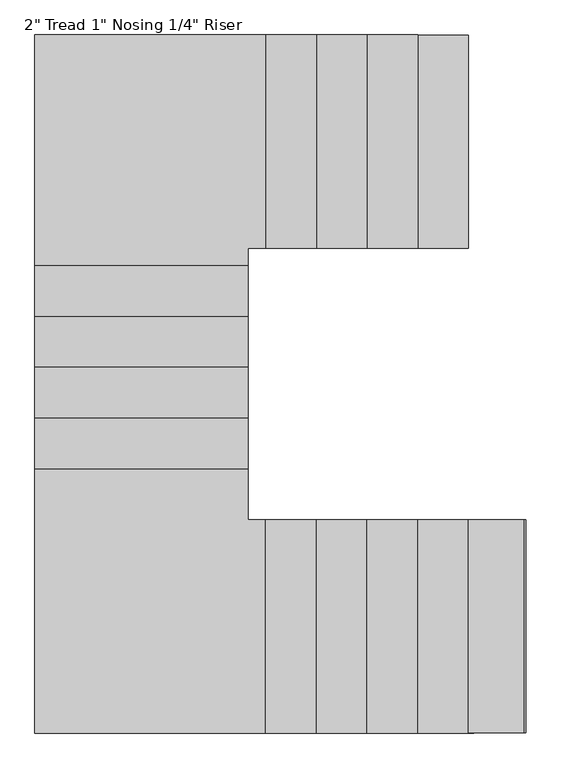
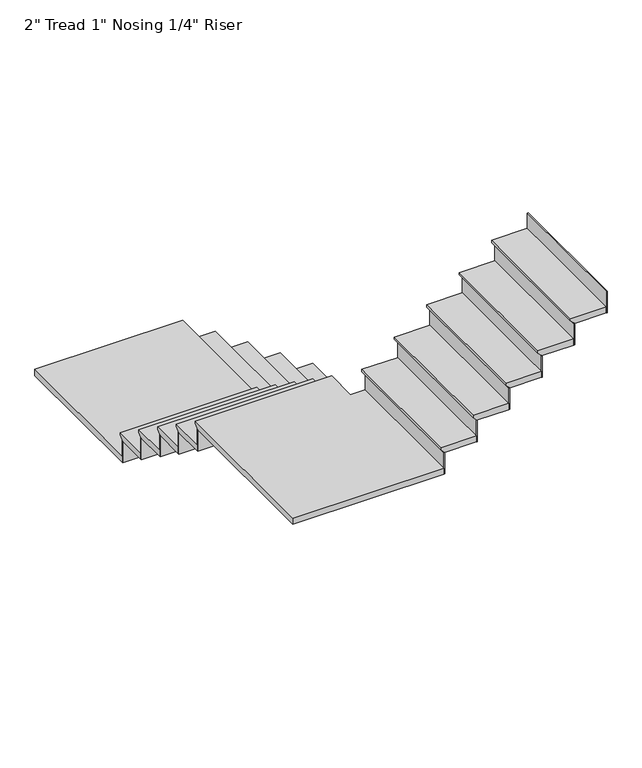
"""IFC4 building model written with IfcOpenShell, lengths in millimetres: stair flight geometry."""

from ifc_helpers import new_model, si_unit, origin, place, context, project, spatial, faceted_brep, source, transform, mapped, element, save


def stair_flight_17baa690(model_context):
    return source(origin(), model_context, "Body", "Brep", [
        faceted_brep([(3094.4995947, 6181.1637279, 158.75), (3094.4995947, 6181.1637279, 177.8), (3094.4995947, 5114.3637279, 177.8), (3094.4995947, 5114.3637279, 158.75), (3069.0995947, 6181.1637279, 133.35), (3069.0995947, 5114.3637279, 133.35), (2815.0995947, 6181.1637279, 177.8), (2815.0995947, 5114.3637279, 177.8), (3069.0995947, 5114.3637279, 127.0), (2815.0995947, 5114.3637279, 127.0), (2815.0995947, 6181.1637279, 127.0), (3069.0995947, 6181.1637279, 127.0)], [[[0, 1, 2, 3]], [[4, 0, 3, 5]], [[2, 1, 6, 7]], [[8, 9, 10, 11]], [[2, 7, 9, 8, 5, 3]], [[8, 11, 4, 5]], [[6, 1, 0, 4, 11, 10]], [[7, 6, 10, 9]]]),
        faceted_brep([(3069.0995947, 6181.1637279, 127.0), (3069.0995947, 6181.1637279, 0.0), (3062.7495947, 6181.1637279, 0.0), (3062.7495947, 6181.1637279, 127.0), (3069.0995947, 5114.3637279, 127.0), (3062.7495947, 5114.3637279, 127.0), (3062.7495947, 5114.3637279, 0.0), (3069.0995947, 5114.3637279, 0.0)], [[[0, 1, 2, 3]], [[4, 5, 6, 7]], [[1, 0, 4, 7]], [[2, 1, 7, 6]], [[3, 2, 6, 5]], [[0, 3, 5, 4]]]),
        faceted_brep([(2815.0995947, 6181.1637279, 304.8), (2815.0995947, 6181.1637279, 127.0), (2808.7495947, 6181.1637279, 127.0), (2808.7495947, 6181.1637279, 304.8), (2815.0995947, 5114.3637279, 304.8), (2808.7495947, 5114.3637279, 304.8), (2808.7495947, 5114.3637279, 127.0), (2815.0995947, 5114.3637279, 127.0)], [[[0, 1, 2, 3]], [[4, 5, 6, 7]], [[1, 0, 4, 7]], [[2, 1, 7, 6]], [[3, 2, 6, 5]], [[0, 3, 5, 4]]]),
        faceted_brep([(2840.4995947, 5114.3637279, 355.6), (2840.4995947, 6181.1637279, 355.6), (2561.0995947, 6181.1637279, 355.6), (2561.0995947, 5114.3637279, 355.6), (2815.0995947, 5114.3637279, 304.8), (2561.0995947, 5114.3637279, 304.8), (2561.0995947, 6181.1637279, 304.8), (2815.0995947, 6181.1637279, 304.8), (2815.0995947, 5114.3637279, 311.15), (2840.4995947, 5114.3637279, 336.55), (2815.0995947, 6181.1637279, 311.15), (2840.4995947, 6181.1637279, 336.55)], [[[0, 1, 2, 3]], [[4, 5, 6, 7]], [[0, 3, 5, 4, 8, 9]], [[4, 7, 10, 8]], [[2, 1, 11, 10, 7, 6]], [[3, 2, 6, 5]], [[11, 1, 0, 9]], [[10, 11, 9, 8]]]),
        faceted_brep([(2561.0995947, 6181.1637279, 482.6), (2561.0995947, 6181.1637279, 304.8), (2554.7495947, 6181.1637279, 304.8), (2554.7495947, 6181.1637279, 482.6), (2561.0995947, 5114.3637279, 482.6), (2554.7495947, 5114.3637279, 482.6), (2554.7495947, 5114.3637279, 304.8), (2561.0995947, 5114.3637279, 304.8)], [[[0, 1, 2, 3]], [[4, 5, 6, 7]], [[1, 0, 4, 7]], [[2, 1, 7, 6]], [[3, 2, 6, 5]], [[0, 3, 5, 4]]]),
        faceted_brep([(2586.4995947, 5114.3637279, 533.4), (2586.4995947, 6181.1637279, 533.4), (2307.0995947, 6181.1637279, 533.4), (2307.0995947, 5114.3637279, 533.4), (2561.0995947, 5114.3637279, 482.6), (2307.0995947, 5114.3637279, 482.6), (2307.0995947, 6181.1637279, 482.6), (2561.0995947, 6181.1637279, 482.6), (2561.0995947, 5114.3637279, 488.95), (2586.4995947, 5114.3637279, 514.35), (2561.0995947, 6181.1637279, 488.95), (2586.4995947, 6181.1637279, 514.35)], [[[0, 1, 2, 3]], [[4, 5, 6, 7]], [[0, 3, 5, 4, 8, 9]], [[4, 7, 10, 8]], [[2, 1, 11, 10, 7, 6]], [[3, 2, 6, 5]], [[11, 1, 0, 9]], [[10, 11, 9, 8]]]),
        faceted_brep([(2307.0995947, 6181.1637279, 660.4), (2307.0995947, 6181.1637279, 482.6), (2300.7495947, 6181.1637279, 482.6), (2300.7495947, 6181.1637279, 660.4), (2307.0995947, 5114.3637279, 660.4), (2300.7495947, 5114.3637279, 660.4), (2300.7495947, 5114.3637279, 482.6), (2307.0995947, 5114.3637279, 482.6)], [[[0, 1, 2, 3]], [[4, 5, 6, 7]], [[1, 0, 4, 7]], [[2, 1, 7, 6]], [[3, 2, 6, 5]], [[0, 3, 5, 4]]]),
        faceted_brep([(2332.4995947, 5114.3637279, 711.2), (2332.4995947, 6181.1637279, 711.2), (2053.0995947, 6181.1637279, 711.2), (2053.0995947, 5114.3637279, 711.2), (2307.0995947, 5114.3637279, 660.4), (2053.0995947, 5114.3637279, 660.4), (2053.0995947, 6181.1637279, 660.4), (2307.0995947, 6181.1637279, 660.4), (2307.0995947, 5114.3637279, 666.75), (2332.4995947, 5114.3637279, 692.15), (2307.0995947, 6181.1637279, 666.75), (2332.4995947, 6181.1637279, 692.15)], [[[0, 1, 2, 3]], [[4, 5, 6, 7]], [[0, 3, 5, 4, 8, 9]], [[4, 7, 10, 8]], [[2, 1, 11, 10, 7, 6]], [[3, 2, 6, 5]], [[11, 1, 0, 9]], [[10, 11, 9, 8]]]),
        faceted_brep([(2053.0995947, 6181.1637279, 838.2), (2053.0995947, 6181.1637279, 660.4), (2046.7495947, 6181.1637279, 660.4), (2046.7495947, 6181.1637279, 838.2), (2053.0995947, 5114.3637279, 838.2), (2046.7495947, 5114.3637279, 838.2), (2046.7495947, 5114.3637279, 660.4), (2053.0995947, 5114.3637279, 660.4)], [[[0, 1, 2, 3]], [[4, 5, 6, 7]], [[1, 0, 4, 7]], [[2, 1, 7, 6]], [[3, 2, 6, 5]], [[0, 3, 5, 4]]]),
        faceted_brep([(1989.5995947, 5000.0637279, 889.0), (1989.5995947, 5114.3637279, 889.0), (2078.4995947, 5114.3637279, 889.0), (2078.4995947, 6181.1637279, 889.0), (922.7995947, 6181.1637279, 889.0), (922.7995947, 5000.0637279, 889.0), (1989.5995947, 5114.3637279, 838.2), (1989.5995947, 5000.0637279, 838.2), (922.7995947, 5000.0637279, 838.2), (922.7995947, 6181.1637279, 838.2), (2053.0995947, 6181.1637279, 838.2), (2053.0995947, 5114.3637279, 838.2), (2053.0995947, 5114.3637279, 844.55), (2078.4995947, 5114.3637279, 869.95), (2053.0995947, 6181.1637279, 844.55), (2078.4995947, 6181.1637279, 869.95)], [[[0, 1, 2, 3, 4, 5]], [[6, 7, 8, 9, 10, 11]], [[1, 0, 7, 6]], [[2, 1, 6, 11, 12, 13]], [[11, 10, 14, 12]], [[4, 3, 15, 14, 10, 9]], [[5, 4, 9, 8]], [[0, 5, 8, 7]], [[15, 3, 2, 13]], [[14, 15, 13, 12]]]),
        faceted_brep([(922.7995947, 5000.0637279, 1016.0), (922.7995947, 5000.0637279, 838.2), (922.7995947, 4993.7137279, 838.2), (922.7995947, 4993.7137279, 1016.0), (1989.5995947, 5000.0637279, 1016.0), (1989.5995947, 4993.7137279, 1016.0), (1989.5995947, 4993.7137279, 838.2), (1989.5995947, 5000.0637279, 838.2)], [[[0, 1, 2, 3]], [[4, 5, 6, 7]], [[1, 0, 4, 7]], [[2, 1, 7, 6]], [[3, 2, 6, 5]], [[0, 3, 5, 4]]]),
        faceted_brep([(1989.5995947, 5025.4637279, 1066.8), (922.7995947, 5025.4637279, 1066.8), (922.7995947, 4746.0637279, 1066.8), (1989.5995947, 4746.0637279, 1066.8), (1989.5995947, 5000.0637279, 1016.0), (1989.5995947, 4746.0637279, 1016.0), (922.7995947, 4746.0637279, 1016.0), (922.7995947, 5000.0637279, 1016.0), (1989.5995947, 5000.0637279, 1022.35), (1989.5995947, 5025.4637279, 1047.75), (922.7995947, 5000.0637279, 1022.35), (922.7995947, 5025.4637279, 1047.75)], [[[0, 1, 2, 3]], [[4, 5, 6, 7]], [[0, 3, 5, 4, 8, 9]], [[4, 7, 10, 8]], [[2, 1, 11, 10, 7, 6]], [[3, 2, 6, 5]], [[11, 1, 0, 9]], [[10, 11, 9, 8]]]),
        faceted_brep([(922.7995947, 4746.0637279, 1193.8), (922.7995947, 4746.0637279, 1016.0), (922.7995947, 4739.7137279, 1016.0), (922.7995947, 4739.7137279, 1193.8), (1989.5995947, 4746.0637279, 1193.8), (1989.5995947, 4739.7137279, 1193.8), (1989.5995947, 4739.7137279, 1016.0), (1989.5995947, 4746.0637279, 1016.0)], [[[0, 1, 2, 3]], [[4, 5, 6, 7]], [[1, 0, 4, 7]], [[2, 1, 7, 6]], [[3, 2, 6, 5]], [[0, 3, 5, 4]]]),
        faceted_brep([(1989.5995947, 4771.4637279, 1244.6), (922.7995947, 4771.4637279, 1244.6), (922.7995947, 4492.0637279, 1244.6), (1989.5995947, 4492.0637279, 1244.6), (1989.5995947, 4746.0637279, 1193.8), (1989.5995947, 4492.0637279, 1193.8), (922.7995947, 4492.0637279, 1193.8), (922.7995947, 4746.0637279, 1193.8), (1989.5995947, 4746.0637279, 1200.15), (1989.5995947, 4771.4637279, 1225.55), (922.7995947, 4746.0637279, 1200.15), (922.7995947, 4771.4637279, 1225.55)], [[[0, 1, 2, 3]], [[4, 5, 6, 7]], [[0, 3, 5, 4, 8, 9]], [[4, 7, 10, 8]], [[2, 1, 11, 10, 7, 6]], [[3, 2, 6, 5]], [[11, 1, 0, 9]], [[10, 11, 9, 8]]]),
        faceted_brep([(922.7995947, 4492.0637279, 1371.6), (922.7995947, 4492.0637279, 1193.8), (922.7995947, 4485.7137279, 1193.8), (922.7995947, 4485.7137279, 1371.6), (1989.5995947, 4492.0637279, 1371.6), (1989.5995947, 4485.7137279, 1371.6), (1989.5995947, 4485.7137279, 1193.8), (1989.5995947, 4492.0637279, 1193.8)], [[[0, 1, 2, 3]], [[4, 5, 6, 7]], [[1, 0, 4, 7]], [[2, 1, 7, 6]], [[3, 2, 6, 5]], [[0, 3, 5, 4]]]),
        faceted_brep([(1989.5995947, 4517.4637279, 1422.4), (922.7995947, 4517.4637279, 1422.4), (922.7995947, 4238.0637279, 1422.4), (1989.5995947, 4238.0637279, 1422.4), (1989.5995947, 4492.0637279, 1371.6), (1989.5995947, 4238.0637279, 1371.6), (922.7995947, 4238.0637279, 1371.6), (922.7995947, 4492.0637279, 1371.6), (1989.5995947, 4492.0637279, 1377.95), (1989.5995947, 4517.4637279, 1403.35), (922.7995947, 4492.0637279, 1377.95), (922.7995947, 4517.4637279, 1403.35)], [[[0, 1, 2, 3]], [[4, 5, 6, 7]], [[0, 3, 5, 4, 8, 9]], [[4, 7, 10, 8]], [[2, 1, 11, 10, 7, 6]], [[3, 2, 6, 5]], [[11, 1, 0, 9]], [[10, 11, 9, 8]]]),
        faceted_brep([(922.7995947, 4238.0637279, 1549.4), (922.7995947, 4238.0637279, 1371.6), (922.7995947, 4231.7137279, 1371.6), (922.7995947, 4231.7137279, 1549.4), (1989.5995947, 4238.0637279, 1549.4), (1989.5995947, 4231.7137279, 1549.4), (1989.5995947, 4231.7137279, 1371.6), (1989.5995947, 4238.0637279, 1371.6)], [[[0, 1, 2, 3]], [[4, 5, 6, 7]], [[1, 0, 4, 7]], [[2, 1, 7, 6]], [[3, 2, 6, 5]], [[0, 3, 5, 4]]]),
        faceted_brep([(1989.5995947, 4263.4637279, 1600.2), (922.7995947, 4263.4637279, 1600.2), (922.7995947, 3984.0637279, 1600.2), (1989.5995947, 3984.0637279, 1600.2), (1989.5995947, 4238.0637279, 1549.4), (1989.5995947, 3984.0637279, 1549.4), (922.7995947, 3984.0637279, 1549.4), (922.7995947, 4238.0637279, 1549.4), (1989.5995947, 4238.0637279, 1555.75), (1989.5995947, 4263.4637279, 1581.15), (922.7995947, 4238.0637279, 1555.75), (922.7995947, 4263.4637279, 1581.15)], [[[0, 1, 2, 3]], [[4, 5, 6, 7]], [[0, 3, 5, 4, 8, 9]], [[4, 7, 10, 8]], [[2, 1, 11, 10, 7, 6]], [[3, 2, 6, 5]], [[11, 1, 0, 9]], [[10, 11, 9, 8]]]),
        faceted_brep([(922.7995947, 3984.0637279, 1727.2), (922.7995947, 3984.0637279, 1549.4), (922.7995947, 3977.7137279, 1549.4), (922.7995947, 3977.7137279, 1727.2), (1989.5995947, 3984.0637279, 1727.2), (1989.5995947, 3977.7137279, 1727.2), (1989.5995947, 3977.7137279, 1549.4), (1989.5995947, 3984.0637279, 1549.4)], [[[0, 1, 2, 3]], [[4, 5, 6, 7]], [[1, 0, 4, 7]], [[2, 1, 7, 6]], [[3, 2, 6, 5]], [[0, 3, 5, 4]]]),
        faceted_brep([(2103.8995947, 3755.4637279, 1778.0), (1989.5995947, 3755.4637279, 1778.0), (1989.5995947, 4009.4637279, 1778.0), (922.7995947, 4009.4637279, 1778.0), (922.7995947, 2688.6637279, 1778.0), (2103.8995947, 2688.6637279, 1778.0), (1989.5995947, 3755.4637279, 1727.2), (2103.8995947, 3755.4637279, 1727.2), (2103.8995947, 2688.6637279, 1727.2), (922.7995947, 2688.6637279, 1727.2), (922.7995947, 3984.0637279, 1727.2), (1989.5995947, 3984.0637279, 1727.2), (1989.5995947, 3984.0637279, 1733.55), (1989.5995947, 4009.4637279, 1758.95), (922.7995947, 3984.0637279, 1733.55), (922.7995947, 4009.4637279, 1758.95)], [[[0, 1, 2, 3, 4, 5]], [[6, 7, 8, 9, 10, 11]], [[1, 0, 7, 6]], [[2, 1, 6, 11, 12, 13]], [[11, 10, 14, 12]], [[4, 3, 15, 14, 10, 9]], [[5, 4, 9, 8]], [[0, 5, 8, 7]], [[15, 3, 2, 13]], [[14, 15, 13, 12]]]),
        faceted_brep([(2103.8995947, 2688.6637279, 1905.0), (2103.8995947, 2688.6637279, 1727.2), (2110.2495947, 2688.6637279, 1727.2), (2110.2495947, 2688.6637279, 1905.0), (2103.8995947, 3755.4637279, 1905.0), (2110.2495947, 3755.4637279, 1905.0), (2110.2495947, 3755.4637279, 1727.2), (2103.8995947, 3755.4637279, 1727.2)], [[[0, 1, 2, 3]], [[4, 5, 6, 7]], [[1, 0, 4, 7]], [[2, 1, 7, 6]], [[3, 2, 6, 5]], [[0, 3, 5, 4]]]),
        faceted_brep([(2078.4995947, 3755.4637279, 1955.8), (2078.4995947, 2688.6637279, 1955.8), (2357.8995947, 2688.6637279, 1955.8), (2357.8995947, 3755.4637279, 1955.8), (2103.8995947, 3755.4637279, 1905.0), (2357.8995947, 3755.4637279, 1905.0), (2357.8995947, 2688.6637279, 1905.0), (2103.8995947, 2688.6637279, 1905.0), (2103.8995947, 3755.4637279, 1911.35), (2078.4995947, 3755.4637279, 1936.75), (2103.8995947, 2688.6637279, 1911.35), (2078.4995947, 2688.6637279, 1936.75)], [[[0, 1, 2, 3]], [[4, 5, 6, 7]], [[0, 3, 5, 4, 8, 9]], [[4, 7, 10, 8]], [[2, 1, 11, 10, 7, 6]], [[3, 2, 6, 5]], [[11, 1, 0, 9]], [[10, 11, 9, 8]]]),
        faceted_brep([(2357.8995947, 2688.6637279, 2082.8), (2357.8995947, 2688.6637279, 1905.0), (2364.2495947, 2688.6637279, 1905.0), (2364.2495947, 2688.6637279, 2082.8), (2357.8995947, 3755.4637279, 2082.8), (2364.2495947, 3755.4637279, 2082.8), (2364.2495947, 3755.4637279, 1905.0), (2357.8995947, 3755.4637279, 1905.0)], [[[0, 1, 2, 3]], [[4, 5, 6, 7]], [[1, 0, 4, 7]], [[2, 1, 7, 6]], [[3, 2, 6, 5]], [[0, 3, 5, 4]]]),
        faceted_brep([(2332.4995947, 3755.4637279, 2133.6), (2332.4995947, 2688.6637279, 2133.6), (2611.8995947, 2688.6637279, 2133.6), (2611.8995947, 3755.4637279, 2133.6), (2357.8995947, 3755.4637279, 2082.8), (2611.8995947, 3755.4637279, 2082.8), (2611.8995947, 2688.6637279, 2082.8), (2357.8995947, 2688.6637279, 2082.8), (2357.8995947, 3755.4637279, 2089.15), (2332.4995947, 3755.4637279, 2114.55), (2357.8995947, 2688.6637279, 2089.15), (2332.4995947, 2688.6637279, 2114.55)], [[[0, 1, 2, 3]], [[4, 5, 6, 7]], [[0, 3, 5, 4, 8, 9]], [[4, 7, 10, 8]], [[2, 1, 11, 10, 7, 6]], [[3, 2, 6, 5]], [[11, 1, 0, 9]], [[10, 11, 9, 8]]]),
        faceted_brep([(2611.8995947, 2688.6637279, 2260.6), (2611.8995947, 2688.6637279, 2082.8), (2618.2495947, 2688.6637279, 2082.8), (2618.2495947, 2688.6637279, 2260.6), (2611.8995947, 3755.4637279, 2260.6), (2618.2495947, 3755.4637279, 2260.6), (2618.2495947, 3755.4637279, 2082.8), (2611.8995947, 3755.4637279, 2082.8)], [[[0, 1, 2, 3]], [[4, 5, 6, 7]], [[1, 0, 4, 7]], [[2, 1, 7, 6]], [[3, 2, 6, 5]], [[0, 3, 5, 4]]]),
        faceted_brep([(2586.4995947, 3755.4637279, 2311.4), (2586.4995947, 2688.6637279, 2311.4), (2865.8995947, 2688.6637279, 2311.4), (2865.8995947, 3755.4637279, 2311.4), (2611.8995947, 3755.4637279, 2260.6), (2865.8995947, 3755.4637279, 2260.6), (2865.8995947, 2688.6637279, 2260.6), (2611.8995947, 2688.6637279, 2260.6), (2611.8995947, 3755.4637279, 2266.95), (2586.4995947, 3755.4637279, 2292.35), (2611.8995947, 2688.6637279, 2266.95), (2586.4995947, 2688.6637279, 2292.35)], [[[0, 1, 2, 3]], [[4, 5, 6, 7]], [[0, 3, 5, 4, 8, 9]], [[4, 7, 10, 8]], [[2, 1, 11, 10, 7, 6]], [[3, 2, 6, 5]], [[11, 1, 0, 9]], [[10, 11, 9, 8]]]),
        faceted_brep([(2865.8995947, 2688.6637279, 2438.4), (2865.8995947, 2688.6637279, 2260.6), (2872.2495947, 2688.6637279, 2260.6), (2872.2495947, 2688.6637279, 2438.4), (2865.8995947, 3755.4637279, 2438.4), (2872.2495947, 3755.4637279, 2438.4), (2872.2495947, 3755.4637279, 2260.6), (2865.8995947, 3755.4637279, 2260.6)], [[[0, 1, 2, 3]], [[4, 5, 6, 7]], [[1, 0, 4, 7]], [[2, 1, 7, 6]], [[3, 2, 6, 5]], [[0, 3, 5, 4]]]),
        faceted_brep([(2840.4995947, 3755.4637279, 2489.2), (2840.4995947, 2688.6637279, 2489.2), (3119.8995947, 2688.6637279, 2489.2), (3119.8995947, 3755.4637279, 2489.2), (2865.8995947, 3755.4637279, 2438.4), (3119.8995947, 3755.4637279, 2438.4), (3119.8995947, 2688.6637279, 2438.4), (2865.8995947, 2688.6637279, 2438.4), (2865.8995947, 3755.4637279, 2444.75), (2840.4995947, 3755.4637279, 2470.15), (2865.8995947, 2688.6637279, 2444.75), (2840.4995947, 2688.6637279, 2470.15)], [[[0, 1, 2, 3]], [[4, 5, 6, 7]], [[0, 3, 5, 4, 8, 9]], [[4, 7, 10, 8]], [[2, 1, 11, 10, 7, 6]], [[3, 2, 6, 5]], [[11, 1, 0, 9]], [[10, 11, 9, 8]]]),
        faceted_brep([(3119.8995947, 2688.6637279, 2616.2), (3119.8995947, 2688.6637279, 2438.4), (3126.2495947, 2688.6637279, 2438.4), (3126.2495947, 2688.6637279, 2616.2), (3119.8995947, 3755.4637279, 2616.2), (3126.2495947, 3755.4637279, 2616.2), (3126.2495947, 3755.4637279, 2438.4), (3119.8995947, 3755.4637279, 2438.4)], [[[0, 1, 2, 3]], [[4, 5, 6, 7]], [[1, 0, 4, 7]], [[2, 1, 7, 6]], [[3, 2, 6, 5]], [[0, 3, 5, 4]]]),
        faceted_brep([(3373.8995947, 2688.6637279, 2794.0), (3373.8995947, 2688.6637279, 2616.2), (3380.2495947, 2688.6637279, 2616.2), (3380.2495947, 2688.6637279, 2794.0), (3373.8995947, 3755.4637279, 2794.0), (3380.2495947, 3755.4637279, 2794.0), (3380.2495947, 3755.4637279, 2616.2), (3373.8995947, 3755.4637279, 2616.2)], [[[0, 1, 2, 3]], [[4, 5, 6, 7]], [[1, 0, 4, 7]], [[2, 1, 7, 6]], [[3, 2, 6, 5]], [[0, 3, 5, 4]]]),
        faceted_brep([(3094.4995947, 3755.4637279, 2667.0), (3094.4995947, 2688.6637279, 2667.0), (3373.8995947, 2688.6637279, 2667.0), (3373.8995947, 3755.4637279, 2667.0), (3119.8995947, 3755.4637279, 2616.2), (3373.8995947, 3755.4637279, 2616.2), (3373.8995947, 2688.6637279, 2616.2), (3119.8995947, 2688.6637279, 2616.2), (3119.8995947, 3755.4637279, 2622.55), (3094.4995947, 3755.4637279, 2647.95), (3119.8995947, 2688.6637279, 2622.55), (3094.4995947, 2688.6637279, 2647.95)], [[[0, 1, 2, 3]], [[4, 5, 6, 7]], [[0, 3, 5, 4, 8, 9]], [[4, 7, 10, 8]], [[2, 1, 11, 10, 7, 6]], [[3, 2, 6, 5]], [[11, 1, 0, 9]], [[10, 11, 9, 8]]]),
    ])


if __name__ == "__main__":
    model = new_model("IFC4")
    model_context = context("Model", 3, world=origin())
    ifc_project = project(units=[si_unit("LENGTHUNIT", "METRE", prefix="MILLI")], contexts=[model_context])
    site = spatial("IfcSite", under=ifc_project)
    building = spatial("IfcBuilding", under=site)
    placement = place(None, origin())
    stair_flight_shape = stair_flight_17baa690(model_context)
    element("IfcStairFlight", 1, ObjectType="2\" Tread 1\" Nosing 1/4\" Riser", at=placement, inside=building, context=model_context, shape_type="MappedRepresentation", body=[
        mapped(stair_flight_shape, transform((0.0, 0.0, 0.0), x_axis=(1.0, 0.0, 0.0), y_axis=(0.0, 1.0, 0.0), z_axis=(0.0, 0.0, 1.0))),
    ])
    save(model, "model.ifc")
